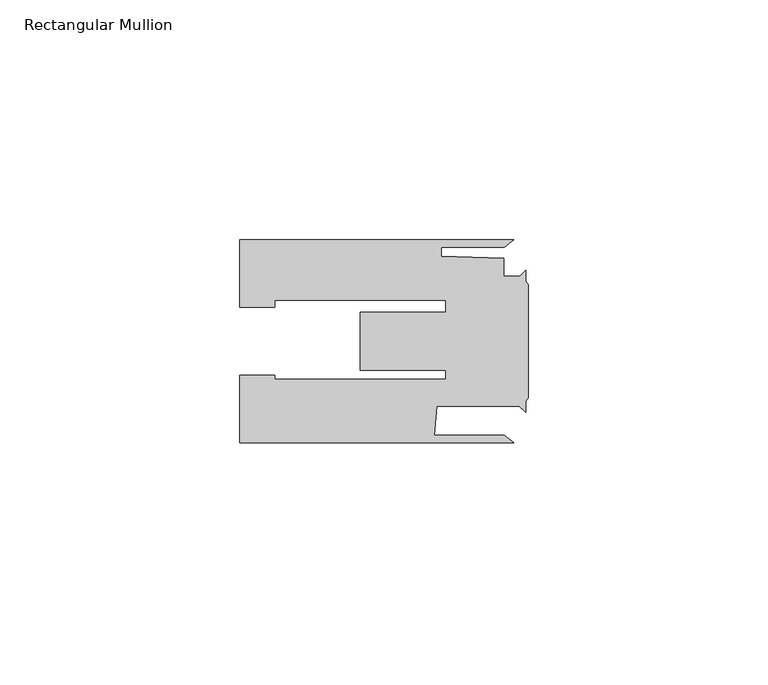
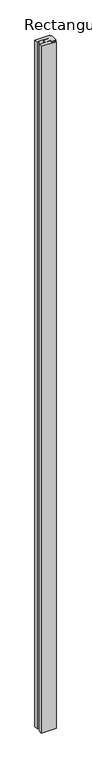
"""IFC4 building model written with IfcOpenShell, lengths in millimetres: member geometry, Rectangular Mullion."""

from ifc_helpers import new_model, si_unit, frame, origin, place, context, project, spatial, polyline, outline, extrude, source, transform, mapped, element, save


def rectangular_mullion_3b56f757(model_context):
    return source(origin(), model_context, "Body", "SweptSolid", [
        extrude(outline(polyline([(-4.9978403, -19.6), (-3.0070335, -21.1001806), (-60.0000904, -21.1001806), (-60.0000904, -7.1002443), (-52.8000904, -7.1002443), (-52.8000904, -7.9321779), (-17.1741363, -7.9321779), (-17.1741363, -5.9999784), (-35.0, -5.9999784), (-35.0, 6.0000216), (-17.1741363, 6.0000216), (-17.1741363, 8.4998194), (-52.8000904, 8.4998194), (-52.8000904, 7.100122), (-60.0000904, 7.100122), (-60.0000904, 21.0998194), (-3.0009095, 21.0998194), (-4.9914767, 19.5998194), (-18.0673388, 19.5998194), (-18.0673388, 17.7540666), (-5.0673388, 17.2543129), (-5.0673388, 13.4993684), (-1.7475919, 13.4993684), (-0.4974673, 14.749493), (-0.4974673, 12.4556178), (0.0, 11.7495144), (0.0, -11.7503396), (-0.4974673, -12.4565458), (-0.4974673, -14.7781339), (-1.7752616, -13.5003396), (-19.0000553, -13.5003396), (-19.5000405, -19.6), (-4.9978403, -19.6)])), frame((0.0, 0.0, -2767.4354105), z_axis=(0.0, 0.0, 1.0), x_axis=(1.0, 0.0, 0.0)), (0.0, 0.0, 1.0), 2767.4354105),
    ])


if __name__ == "__main__":
    model = new_model("IFC4")
    model_context = context("Model", 3, world=origin())
    ifc_project = project(units=[si_unit("LENGTHUNIT", "METRE", prefix="MILLI")], contexts=[model_context])
    site = spatial("IfcSite", under=ifc_project)
    building = spatial("IfcBuilding", under=site)
    placement = place(None, origin())
    rectangular_mullion_shape = rectangular_mullion_3b56f757(model_context)
    element("IfcMember", 1, ObjectType="Rectangular Mullion", at=placement, inside=building, context=model_context, shape_type="MappedRepresentation", body=[
        mapped(rectangular_mullion_shape, transform((0.0, 0.0, 0.0), x_axis=(1.0, 0.0, 0.0), y_axis=(0.0, 1.0, 0.0), z_axis=(0.0, 0.0, 1.0))),
    ])
    save(model, "model.ifc")
